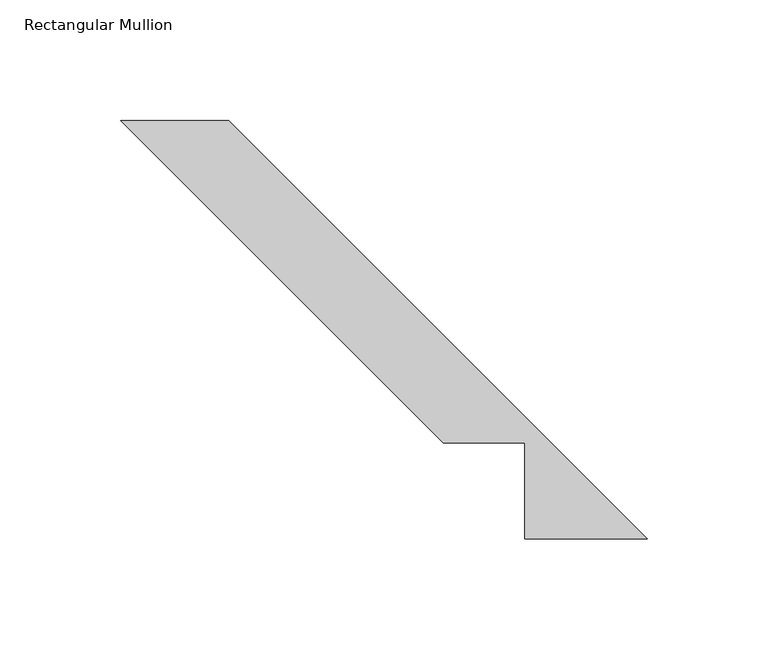
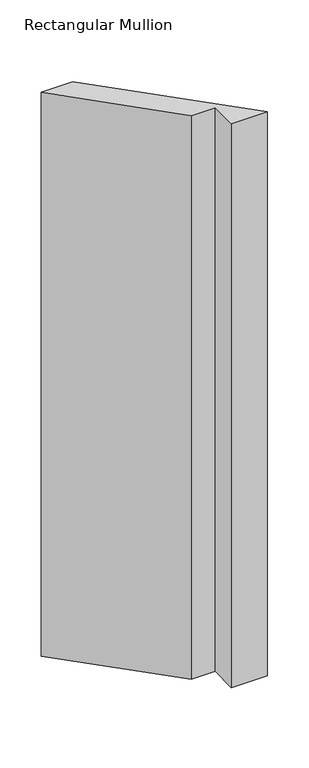
"""IFC4 building model written with IfcOpenShell, lengths in millimetres: member geometry, Rectangular Mullion."""

from ifc_helpers import new_model, si_unit, frame, origin, place, context, project, spatial, polyline, outline, extrude, source, transform, mapped, element, save


def rectangular_mullion_45343afb(model_context):
    return source(origin(), model_context, "Body", "SweptSolid", [
        extrude(outline(polyline([(-236.2739987, 191.3727182), (-191.3727181, 191.3727182), (-17.9577999, 17.9578), (-68.7577999, 17.9578), (-68.7577999, 57.6326), (-102.5338805, 57.6326), (-236.2739987, 191.3727182)])), frame((0.0, 0.0, -838.2), z_axis=(0.0, 0.0, 1.0), x_axis=(1.0, 0.0, 0.0)), (0.0, 0.0, 1.0), 838.2),
    ])


if __name__ == "__main__":
    model = new_model("IFC4")
    model_context = context("Model", 3, world=origin())
    ifc_project = project(units=[si_unit("LENGTHUNIT", "METRE", prefix="MILLI")], contexts=[model_context])
    site = spatial("IfcSite", under=ifc_project)
    building = spatial("IfcBuilding", under=site)
    placement = place(None, origin())
    rectangular_mullion_shape = rectangular_mullion_45343afb(model_context)
    element("IfcMember", 1, ObjectType="Rectangular Mullion", at=placement, inside=building, context=model_context, shape_type="MappedRepresentation", body=[
        mapped(rectangular_mullion_shape, transform((0.0, 0.0, 0.0), x_axis=(1.0, 0.0, 0.0), y_axis=(0.0, 1.0, 0.0), z_axis=(0.0, 0.0, 1.0))),
    ])
    save(model, "model.ifc")
